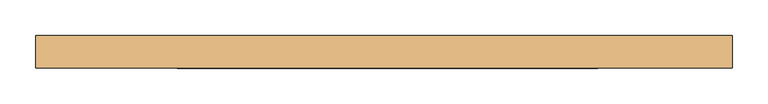
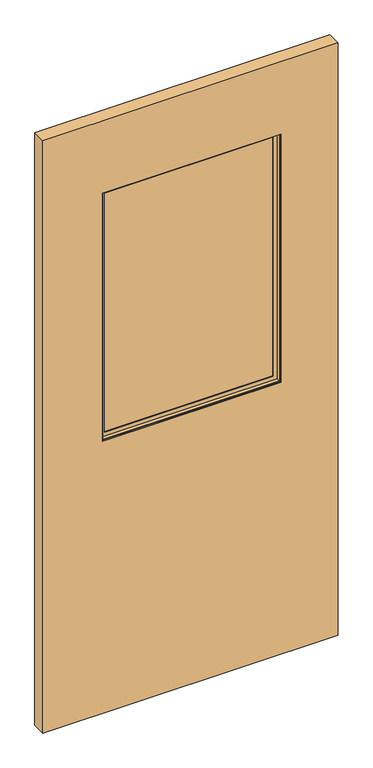
"""IFC4 building model written with IfcOpenShell, lengths in millimetres: door geometry."""

from ifc_helpers import new_model, si_unit, frame, origin, place, context, project, spatial, polyline, outline, extrude, faceted_brep, source, transform, mapped, element, save


def door_bd186470(model_context):
    return source(origin(), model_context, "Body", "SolidModel", [
        extrude(outline(polyline([(300.7535674, 3.175), (300.7535674, -3.175), (-291.0664326, -3.175), (-291.0664326, 3.175), (300.7535674, 3.175)])), frame((0.0, 0.0, 968.7435027), z_axis=(0.0, 0.0, 1.0), x_axis=(1.0, 0.0, 0.0)), (0.0, 0.0, 1.0), 871.22),
        faceted_brep([(-275.1758536, -3.797467, 1824.0729238), (-275.1758536, -6.9755828, 1824.0729238), (-275.1758536, -6.9755828, 984.6340817), (-275.1758536, -3.797467, 984.6340817), (284.8629885, -6.9755828, 984.6340817), (284.8629885, -3.797467, 984.6340817), (297.5754516, -6.9755828, 971.9216185), (297.5754516, -6.9755828, 1836.7853869), (-287.8883168, -6.9755828, 1836.7853869), (-287.8883168, -6.9755828, 971.9216185), (284.8629885, -6.9755828, 1824.0729238), (284.8629885, -3.797467, 1824.0729238), (-291.0664326, -3.797467, 968.7435027), (-291.0664326, -3.797467, 1839.9635027), (300.7535674, -3.797467, 1839.9635027), (300.7535674, -3.797467, 968.7435027), (-291.0664326, -19.688046, 1839.9635027), (-291.0664326, -19.688046, 968.7435027), (300.7535674, -19.688046, 968.7435027), (300.7535674, -19.688046, 1839.9635027), (-287.8883168, -19.688046, 971.9216185), (-287.8883168, -19.688046, 1836.7853869), (297.5754516, -19.688046, 1836.7853869), (297.5754516, -19.688046, 971.9216185)], [[[0, 1, 2, 3]], [[3, 2, 4, 5]], [[6, 7, 8, 9], [2, 1, 10, 4]], [[5, 4, 10, 11]], [[12, 13, 14, 15], [5, 11, 0, 3]], [[16, 13, 12, 17]], [[17, 12, 15, 18]], [[18, 15, 14, 19]], [[18, 19, 16, 17], [20, 21, 22, 23]], [[8, 21, 20, 9]], [[9, 20, 23, 6]], [[6, 23, 22, 7]], [[11, 10, 1, 0]], [[19, 14, 13, 16]], [[7, 22, 21, 8]]]),
        faceted_brep([(-287.8883168, 19.688046, 1836.7853869), (-287.8883168, 6.9755828, 1836.7853869), (-287.8883168, 6.9755828, 971.9216185), (-287.8883168, 19.688046, 971.9216185), (297.5754516, 6.9755828, 971.9216185), (297.5754516, 19.688046, 971.9216185), (297.5754516, 6.9755828, 1836.7853869), (284.8629885, 6.9755828, 984.6340817), (284.8629885, 6.9755828, 1824.0729238), (-275.1758536, 6.9755828, 1824.0729238), (-275.1758536, 6.9755828, 984.6340817), (297.5754516, 19.688046, 1836.7853869), (-291.0664326, 19.688046, 968.7435027), (-291.0664326, 19.688046, 1839.9635027), (300.7535674, 19.688046, 1839.9635027), (300.7535674, 19.688046, 968.7435027), (-291.0664326, 3.797467, 1839.9635027), (-291.0664326, 3.797467, 968.7435027), (300.7535674, 3.797467, 968.7435027), (300.7535674, 3.797467, 1839.9635027), (-275.1758536, 3.797467, 984.6340817), (-275.1758536, 3.797467, 1824.0729238), (284.8629885, 3.797467, 1824.0729238), (284.8629885, 3.797467, 984.6340817)], [[[0, 1, 2, 3]], [[3, 2, 4, 5]], [[2, 1, 6, 4], [7, 8, 9, 10]], [[5, 4, 6, 11]], [[12, 13, 14, 15], [5, 11, 0, 3]], [[16, 13, 12, 17]], [[17, 12, 15, 18]], [[18, 15, 14, 19]], [[18, 19, 16, 17], [20, 21, 22, 23]], [[9, 21, 20, 10]], [[10, 20, 23, 7]], [[7, 23, 22, 8]], [[11, 6, 1, 0]], [[19, 14, 13, 16]], [[8, 22, 21, 9]]]),
        extrude(outline(polyline([(2093.9635027, 490.4564326), (2093.9635027, -490.4564326), (12.7, -490.4564326), (12.7, 490.4564326), (2093.9635027, 490.4564326)]), holes=[polyline([(1839.9635027, -291.0664326), (1839.9635027, 300.7535674), (968.7435027, 300.7535674), (968.7435027, -291.0664326), (1839.9635027, -291.0664326)])]), frame((0.0, -23.114, 0.0), z_axis=(0.0, 1.0, 0.0), x_axis=(0.0, 0.0, 1.0)), (0.0, 0.0, 1.0), 46.228),
    ])


if __name__ == "__main__":
    model = new_model("IFC4")
    model_context = context("Model", 3, world=origin())
    ifc_project = project(units=[si_unit("LENGTHUNIT", "METRE", prefix="MILLI")], contexts=[model_context])
    site = spatial("IfcSite", under=ifc_project)
    building = spatial("IfcBuilding", under=site)
    placement = place(None, origin())
    door_shape = door_bd186470(model_context)
    element("IfcDoor", 1, at=placement, inside=building, context=model_context, shape_type="MappedRepresentation", body=[
        mapped(door_shape, transform((0.0, 0.0, 0.0), x_axis=(1.0, 0.0, 0.0), y_axis=(0.0, 1.0, 0.0), z_axis=(0.0, 0.0, 1.0))),
    ])
    save(model, "model.ifc")
